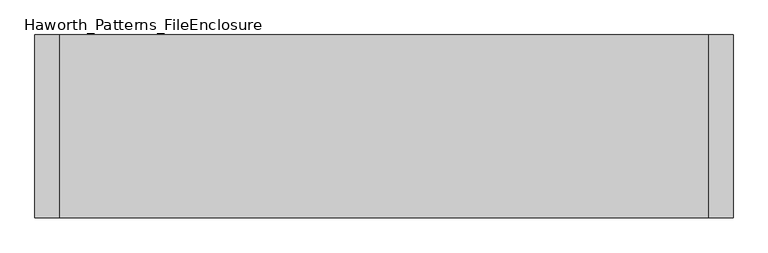
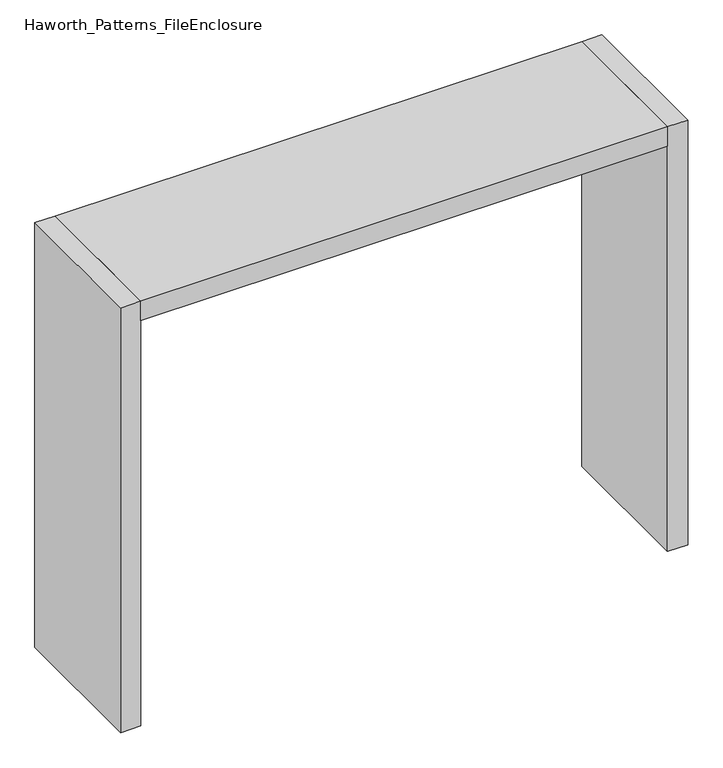
"""IFC4 building model written with IfcOpenShell, lengths in millimetres: furniture geometry, Haworth_Patterns_FileEnclosure."""

from ifc_helpers import new_model, si_unit, frame, origin, origin_with_axes, place, context, project, spatial, polyline, outline, extrude, source, transform, mapped, element, save


def haworth_patterns_fileenclosure_e3c6c373(model_context):
    return source(origin(), model_context, "Body", "SweptSolid", [
        extrude(outline(polyline([(990.6, 0.0), (990.6, -558.8), (-990.6, -558.8), (-990.6, 0.0), (990.6, 0.0)])), frame((0.0, 0.0, 1612.9), z_axis=(0.0, 0.0, 1.0), x_axis=(1.0, 0.0, 0.0)), (0.0, 0.0, 1.0), 76.2),
        extrude(outline(polyline([(990.6, 0.0), (1066.8, 0.0), (1066.8, -558.8), (990.6, -558.8), (990.6, 0.0)])), origin_with_axes(), (0.0, 0.0, 1.0), 1689.1),
        extrude(outline(polyline([(-990.6, 0.0), (-990.6, -558.8), (-1066.8, -558.8), (-1066.8, 0.0), (-990.6, 0.0)])), origin_with_axes(), (0.0, 0.0, 1.0), 1689.1),
    ])


if __name__ == "__main__":
    model = new_model("IFC4")
    model_context = context("Model", 3, world=origin())
    ifc_project = project(units=[si_unit("LENGTHUNIT", "METRE", prefix="MILLI")], contexts=[model_context])
    site = spatial("IfcSite", under=ifc_project)
    building = spatial("IfcBuilding", under=site)
    placement = place(None, origin())
    haworth_patterns_fileenclosure_shape = haworth_patterns_fileenclosure_e3c6c373(model_context)
    element("IfcFurniture", 1, ObjectType="Haworth_Patterns_FileEnclosure", at=placement, inside=building, context=model_context, shape_type="MappedRepresentation", body=[
        mapped(haworth_patterns_fileenclosure_shape, transform((0.0, 0.0, 0.0), x_axis=(1.0, 0.0, 0.0), y_axis=(0.0, 1.0, 0.0), z_axis=(0.0, 0.0, 1.0))),
    ])
    save(model, "model.ifc")
